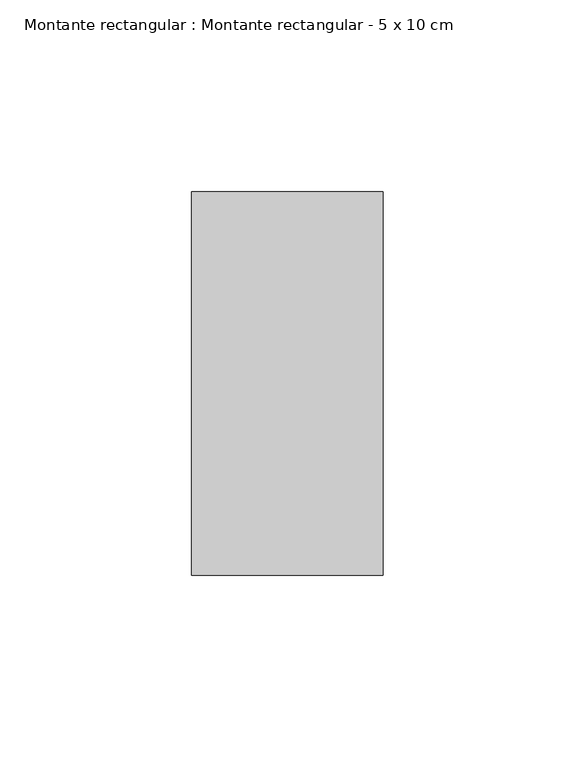
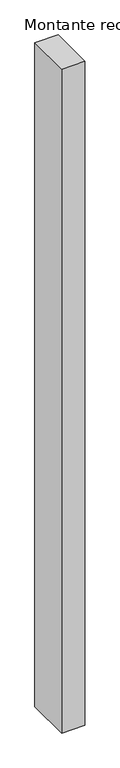
"""IFC4 building model written with IfcOpenShell, lengths in millimetres: member geometry, Montante rectangular : Montante rectangular - 5 x 10 cm."""

from ifc_helpers import new_model, si_unit, frame, origin, place, context, project, spatial, polyline, outline, extrude, source, transform, mapped, element, save


def montante_rectangular_montante_rectangular_5_x_10_cm_48ccecbc(model_context):
    return source(origin(), model_context, "Body", "SweptSolid", [
        extrude(outline(polyline([(-50.0, 50.0), (0.0, 50.0), (0.0, -50.0), (-50.0, -50.0), (-50.0, 50.0)])), frame((0.0, 0.0, -1519.2228533), z_axis=(0.0, 0.0, 1.0), x_axis=(1.0, 0.0, 0.0)), (0.0, 0.0, 1.0), 1519.2228533),
    ])


if __name__ == "__main__":
    model = new_model("IFC4")
    model_context = context("Model", 3, world=origin())
    ifc_project = project(units=[si_unit("LENGTHUNIT", "METRE", prefix="MILLI")], contexts=[model_context])
    site = spatial("IfcSite", under=ifc_project)
    building = spatial("IfcBuilding", under=site)
    placement = place(None, origin())
    montante_rectangular_montante_rectangular_5_x_10_cm_shape = montante_rectangular_montante_rectangular_5_x_10_cm_48ccecbc(model_context)
    element("IfcMember", 1, ObjectType="Montante rectangular : Montante rectangular - 5 x 10 cm", at=placement, inside=building, context=model_context, shape_type="MappedRepresentation", body=[
        mapped(montante_rectangular_montante_rectangular_5_x_10_cm_shape, transform((0.0, 0.0, 0.0), x_axis=(1.0, 0.0, 0.0), y_axis=(0.0, 1.0, 0.0), z_axis=(0.0, 0.0, 1.0))),
    ])
    save(model, "model.ifc")
